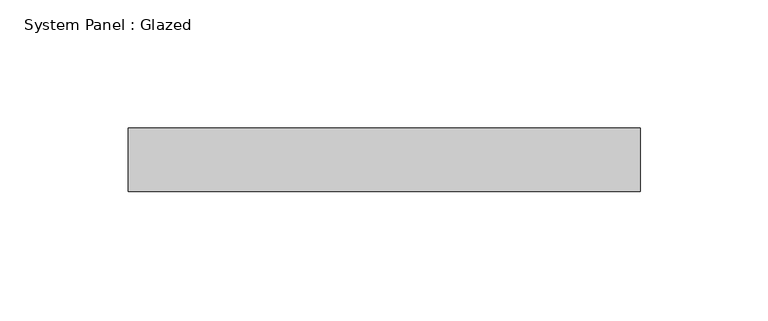
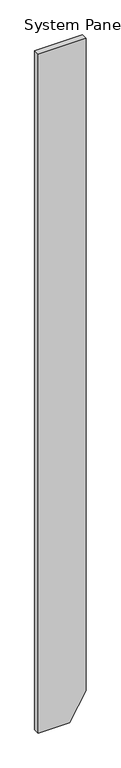
"""IFC4 building model written with IfcOpenShell, lengths in millimetres: plate geometry, System Panel : Glazed."""

from ifc_helpers import new_model, si_unit, frame, origin, place, context, project, spatial, polyline, outline, extrude, source, transform, mapped, element, save


def system_panel_glazed_6b42e18e(model_context):
    return source(origin(), model_context, "Body", "SweptSolid", [
        extrude(outline(polyline([(0.0, -100.0), (0.0, 32.0508073), (117.6914542, 100.0), (3000.0, 100.0), (3000.0, -100.0), (0.0, -100.0)])), frame((0.0, 24.5, 0.0), z_axis=(0.0, 1.0, 0.0), x_axis=(0.0, 0.0, 1.0)), (0.0, 0.0, 1.0), 25.0),
    ])


if __name__ == "__main__":
    model = new_model("IFC4")
    model_context = context("Model", 3, world=origin())
    ifc_project = project(units=[si_unit("LENGTHUNIT", "METRE", prefix="MILLI")], contexts=[model_context])
    site = spatial("IfcSite", under=ifc_project)
    building = spatial("IfcBuilding", under=site)
    placement = place(None, origin())
    system_panel_glazed_shape = system_panel_glazed_6b42e18e(model_context)
    element("IfcPlate", 1, ObjectType="System Panel : Glazed", at=placement, inside=building, context=model_context, shape_type="MappedRepresentation", body=[
        mapped(system_panel_glazed_shape, transform((0.0, 0.0, 0.0), x_axis=(1.0, 0.0, 0.0), y_axis=(0.0, 1.0, 0.0), z_axis=(0.0, 0.0, 1.0))),
    ])
    save(model, "model.ifc")
